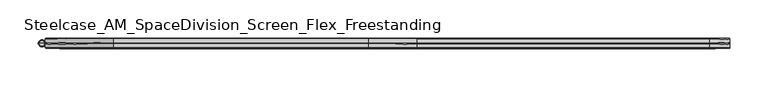
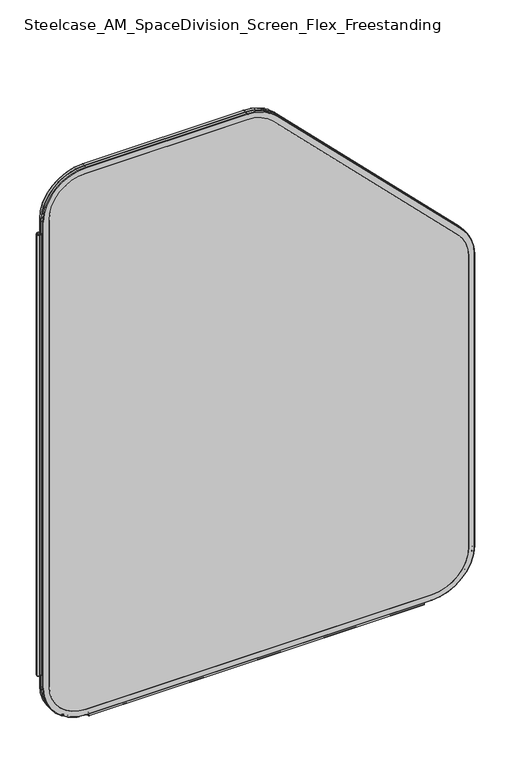
"""IFC4 building model written with IfcOpenShell, lengths in millimetres: furniture geometry, Steelcase_AM_SpaceDivision_Screen_Flex_Freestanding."""

from ifc_helpers import new_model, si_unit, point, frame, frame_2d, origin, place, context, project, spatial, polyline, circle_curve, ellipse_curve, trimmed, segment, composite_curve, outline, extrude, source, transform, mapped, element, save
from ifc_brep_helpers import plane_surface, cylinder_surface, revolved_surface, advanced_brep


def steelcase_am_spacedivision_screen_flex_freestanding_3da25159(model_context):
    return source(origin(), model_context, "Body", "SolidModel", [
        advanced_brep(
        [(98.0653521, -5.715, 4.9996464), (98.0653521, -6.477, 5.7616464), (9.9273521, -6.477, 93.8996464), (9.1653521, -5.715, 93.8996464), (98.0653521, -0.8129491, 4.9996464), (9.1653521, -0.8129491, 93.8996464), (98.0653521, 5.715, 4.9996464), (98.0653521, 0.8129491, 4.9996464), (9.1653521, 0.8129491, 93.8996464), (9.1653521, 5.715, 93.8996464), (98.0653521, 6.477, 5.7616464), (9.9273521, 6.477, 93.8996464), (98.0653521, -6.477, 17.6996464), (98.0653521, 6.477, 17.6996464), (21.8653521, 6.477, 93.8996464), (21.8653521, -6.477, 93.8996464), (811.1, -5.715, 4.9996464), (811.1, -6.477, 5.7616464), (811.1, -0.8129491, 4.9996464), (811.1, 5.715, 4.9996464), (811.1, 0.8129491, 4.9996464), (811.1, 6.477, 5.7616464), (811.1, -6.477, 17.6996464), (811.1, 6.477, 17.6996464), (900.0, -5.715, 93.8996464), (899.238, -6.477, 93.8996464), (900.0, -0.8129491, 93.8996464), (900.0, 5.715, 93.8996464), (900.0, 0.8129491, 93.8996464), (899.238, 6.477, 93.8996464), (887.3, -6.477, 93.8996464), (887.3, 6.477, 93.8996464), (900.0, -5.715, 730.3749822), (899.238, -6.477, 730.3749822), (900.0, -0.8129491, 730.3749822), (900.0, 5.715, 730.3749822), (900.0, 0.8129491, 730.3749822), (899.238, 6.477, 730.3749822), (887.3, -6.477, 730.3749822), (887.3, 6.477, 730.3749822), (873.9617928, -5.715, 793.2367751), (873.4229775, -6.477, 792.6979597), (873.9617928, -0.8129491, 793.2367751), (873.9617928, 5.715, 793.2367751), (873.9617928, 0.8129491, 793.2367751), (873.4229775, 6.477, 792.6979597), (864.9815367, -6.477, 784.2565189), (864.9815367, 6.477, 784.2565189), (493.2367751, -5.715, 1173.9617928), (492.6979597, -6.477, 1173.4229775), (493.2367751, -0.8129491, 1173.9617928), (493.2367751, 5.715, 1173.9617928), (493.2367751, 0.8129491, 1173.9617928), (492.6979597, 6.477, 1173.4229775), (484.2565189, -6.477, 1164.9815367), (484.2565189, 6.477, 1164.9815367), (430.3749822, -5.715, 1200.0), (430.3749822, -6.477, 1199.238), (430.3749822, -0.8129491, 1200.0), (430.3749822, 5.715, 1200.0), (430.3749822, 0.8129491, 1200.0), (430.3749822, 6.477, 1199.238), (430.3749822, -6.477, 1187.3), (430.3749822, 6.477, 1187.3), (98.0653521, -5.715, 1200.0), (98.0653521, -6.477, 1199.238), (98.0653521, -0.8129491, 1200.0), (98.0653521, 5.715, 1200.0), (98.0653521, 0.8129491, 1200.0), (98.0653521, 6.477, 1199.238), (98.0653521, -6.477, 1187.3), (98.0653521, 6.477, 1187.3), (9.1653521, -5.715, 1111.1), (9.9273521, -6.477, 1111.1), (9.1653521, -0.8129491, 1111.1), (9.1653521, 5.715, 1111.1), (9.1653521, 0.8129491, 1111.1), (9.9273521, 6.477, 1111.1), (21.8653521, -6.477, 1111.1), (21.8653521, 6.477, 1111.1), (98.0653521, 0.0, 5.5902885), (9.7559942, 0.0, 93.8996464), (811.1, 0.0, 5.5902885), (899.4093579, 0.0, 93.8996464), (899.4093579, 0.0, 730.3749822), (873.5441458, 0.0, 792.819128), (492.819128, 0.0, 1173.5441458), (430.3749822, 0.0, 1199.4093579), (98.0653521, 0.0, 1199.4093579), (9.7559942, 0.0, 1111.1)],
        [
            (0, 1, circle_curve(frame((98.0653521, -5.715, 5.7616464), z_axis=(-1.0, 0.0, 0.0), x_axis=(0.0, 1.0, 0.0)), 0.762)),
            (1, 2, circle_curve(frame((98.0653521, -6.477, 93.8996464), z_axis=(0.0, 1.0, 0.0), x_axis=(-1.0, 0.0, 0.0)), 88.138)),
            (2, 3, circle_curve(frame((9.9273521, -5.715, 93.8996464), z_axis=(0.0, 0.0, -1.0), x_axis=(0.0, 1.0, 0.0)), 0.762)),
            (3, 0, circle_curve(frame((98.0653521, -5.715, 93.8996464), z_axis=(0.0, -1.0, 0.0), x_axis=(-1.0, 0.0, 0.0)), 88.9)),
            (4, 0),
            (3, 5),
            (5, 4, circle_curve(frame((98.0653521, -0.8129491, 93.8996464), z_axis=(0.0, -1.0, 0.0), x_axis=(-1.0, 0.0, 0.0)), 88.9)),
            (6, 7),
            (7, 8, circle_curve(frame((98.0653521, 0.8129491, 93.8996464), z_axis=(0.0, 1.0, 0.0), x_axis=(-1.0, 0.0, 0.0)), 88.9)),
            (8, 9),
            (9, 6, circle_curve(frame((98.0653521, 5.715, 93.8996464), z_axis=(0.0, -1.0, 0.0), x_axis=(-1.0, 0.0, 0.0)), 88.9)),
            (10, 6, circle_curve(frame((98.0653521, 5.715, 5.7616464), z_axis=(-1.0, 0.0, 0.0), x_axis=(0.0, 1.0, 0.0)), 0.762)),
            (9, 11, circle_curve(frame((9.9273521, 5.715, 93.8996464), z_axis=(0.0, 0.0, -1.0), x_axis=(0.0, 1.0, 0.0)), 0.762)),
            (11, 10, circle_curve(frame((98.0653521, 6.477, 93.8996464), z_axis=(0.0, -1.0, 0.0), x_axis=(-1.0, 0.0, 0.0)), 88.138)),
            (12, 13),
            (13, 14, circle_curve(frame((98.0653521, 6.477, 93.8996464), z_axis=(0.0, 1.0, 0.0), x_axis=(-1.0, 0.0, 0.0)), 76.2)),
            (14, 15),
            (15, 12, circle_curve(frame((98.0653521, -6.477, 93.8996464), z_axis=(0.0, -1.0, 0.0), x_axis=(-1.0, 0.0, 0.0)), 76.2)),
            (0, 16),
            (16, 17, circle_curve(frame((811.1, -5.715, 5.7616464), z_axis=(-1.0, 0.0, 0.0), x_axis=(0.0, 1.0, 0.0)), 0.762)),
            (17, 1),
            (4, 18),
            (18, 16),
            (6, 19),
            (19, 20),
            (20, 7),
            (10, 21),
            (21, 19, circle_curve(frame((811.1, 5.715, 5.7616464), z_axis=(-1.0, 0.0, 0.0), x_axis=(0.0, 1.0, 0.0)), 0.762)),
            (12, 22),
            (22, 23),
            (23, 13),
            (24, 25, circle_curve(frame((899.238, -5.715, 93.8996464), z_axis=(0.0, 0.0, -1.0), x_axis=(0.0, 1.0, 0.0)), 0.762)),
            (25, 17, circle_curve(frame((811.1, -6.477, 93.8996464), z_axis=(0.0, 1.0, 0.0), x_axis=(0.0, 0.0, -1.0)), 88.138)),
            (16, 24, circle_curve(frame((811.1, -5.715, 93.8996464), z_axis=(0.0, -1.0, 0.0), x_axis=(0.0, 0.0, -1.0)), 88.9)),
            (26, 24),
            (18, 26, circle_curve(frame((811.1, -0.8129491, 93.8996464), z_axis=(0.0, -1.0, 0.0), x_axis=(0.0, 0.0, -1.0)), 88.9)),
            (27, 28),
            (28, 20, circle_curve(frame((811.1, 0.8129491, 93.8996464), z_axis=(0.0, 1.0, 0.0), x_axis=(0.0, 0.0, -1.0)), 88.9)),
            (19, 27, circle_curve(frame((811.1, 5.715, 93.8996464), z_axis=(0.0, -1.0, 0.0), x_axis=(0.0, 0.0, -1.0)), 88.9)),
            (29, 27, circle_curve(frame((899.238, 5.715, 93.8996464), z_axis=(0.0, 0.0, -1.0), x_axis=(0.0, 1.0, 0.0)), 0.762)),
            (21, 29, circle_curve(frame((811.1, 6.477, 93.8996464), z_axis=(0.0, -1.0, 0.0), x_axis=(0.0, 0.0, -1.0)), 88.138)),
            (30, 31),
            (31, 23, circle_curve(frame((811.1, 6.477, 93.8996464), z_axis=(0.0, 1.0, 0.0), x_axis=(0.0, 0.0, -1.0)), 76.2)),
            (22, 30, circle_curve(frame((811.1, -6.477, 93.8996464), z_axis=(0.0, -1.0, 0.0), x_axis=(0.0, 0.0, -1.0)), 76.2)),
            (24, 32),
            (32, 33, circle_curve(frame((899.238, -5.715, 730.3749822), z_axis=(0.0, 0.0, -1.0), x_axis=(0.0, 1.0, 0.0)), 0.762)),
            (33, 25),
            (26, 34),
            (34, 32),
            (27, 35),
            (35, 36),
            (36, 28),
            (29, 37),
            (37, 35, circle_curve(frame((899.238, 5.715, 730.3749822), z_axis=(0.0, 0.0, -1.0), x_axis=(0.0, 1.0, 0.0)), 0.762)),
            (30, 38),
            (38, 39),
            (39, 31),
            (40, 41, circle_curve(frame((873.4229775, -5.715, 792.6979597), z_axis=(0.7071067811866388, 0.0, -0.7071067811864562), x_axis=(0.0, 1.0, 0.0)), 0.762)),
            (41, 33, circle_curve(frame((811.1, -6.477, 730.3749822), z_axis=(0.0, 1.0, 0.0), x_axis=(1.0, 0.0, 0.0)), 88.138)),
            (32, 40, circle_curve(frame((811.1, -5.715, 730.3749822), z_axis=(0.0, -1.0, 0.0), x_axis=(1.0, 0.0, 0.0)), 88.9)),
            (42, 40),
            (34, 42, circle_curve(frame((811.1, -0.8129491, 730.3749822), z_axis=(0.0, -1.0, 0.0), x_axis=(1.0, 0.0, 0.0)), 88.9)),
            (43, 44),
            (44, 36, circle_curve(frame((811.1, 0.8129491, 730.3749822), z_axis=(0.0, 1.0, 0.0), x_axis=(1.0, 0.0, 0.0)), 88.9)),
            (35, 43, circle_curve(frame((811.1, 5.715, 730.3749822), z_axis=(0.0, -1.0, 0.0), x_axis=(1.0, 0.0, 0.0)), 88.9)),
            (45, 43, circle_curve(frame((873.4229775, 5.715, 792.6979597), z_axis=(0.7071067811866388, 0.0, -0.7071067811864562), x_axis=(0.0, 1.0, 0.0)), 0.762)),
            (37, 45, circle_curve(frame((811.1, 6.477, 730.3749822), z_axis=(0.0, -1.0, 0.0), x_axis=(1.0, 0.0, 0.0)), 88.138)),
            (46, 47),
            (47, 39, circle_curve(frame((811.1, 6.477, 730.3749822), z_axis=(0.0, 1.0, 0.0), x_axis=(1.0, 0.0, 0.0)), 76.2)),
            (38, 46, circle_curve(frame((811.1, -6.477, 730.3749822), z_axis=(0.0, -1.0, 0.0), x_axis=(1.0, 0.0, 0.0)), 76.2)),
            (40, 48),
            (48, 49, circle_curve(frame((492.6979597, -5.715, 1173.4229775), z_axis=(0.7071067811866404, 0.0, -0.7071067811864546), x_axis=(0.0, 1.0, 0.0)), 0.762)),
            (49, 41),
            (42, 50),
            (50, 48),
            (43, 51),
            (51, 52),
            (52, 44),
            (45, 53),
            (53, 51, circle_curve(frame((492.6979597, 5.715, 1173.4229775), z_axis=(0.7071067811866404, 0.0, -0.7071067811864546), x_axis=(0.0, 1.0, 0.0)), 0.762)),
            (46, 54),
            (54, 55),
            (55, 47),
            (56, 57, circle_curve(frame((430.3749822, -5.715, 1199.238), z_axis=(1.0, 0.0, 0.0), x_axis=(0.0, 1.0, 0.0)), 0.762)),
            (57, 49, circle_curve(frame((430.3749822, -6.477, 1111.1), z_axis=(0.0, 1.0, 0.0), x_axis=(0.7071067811865528, 0.0, 0.7071067811865424)), 88.138)),
            (48, 56, circle_curve(frame((430.3749822, -5.715, 1111.1), z_axis=(0.0, -1.0, 0.0), x_axis=(0.7071067811865528, 0.0, 0.7071067811865424)), 88.9)),
            (58, 56),
            (50, 58, circle_curve(frame((430.3749822, -0.8129491, 1111.1), z_axis=(0.0, -1.0, 0.0), x_axis=(0.7071067811865528, 0.0, 0.7071067811865424)), 88.9)),
            (59, 60),
            (60, 52, circle_curve(frame((430.3749822, 0.8129491, 1111.1), z_axis=(0.0, 1.0, 0.0), x_axis=(0.7071067811865528, 0.0, 0.7071067811865424)), 88.9)),
            (51, 59, circle_curve(frame((430.3749822, 5.715, 1111.1), z_axis=(0.0, -1.0, 0.0), x_axis=(0.7071067811865528, 0.0, 0.7071067811865424)), 88.9)),
            (61, 59, circle_curve(frame((430.3749822, 5.715, 1199.238), z_axis=(1.0, 0.0, 0.0), x_axis=(0.0, 1.0, 0.0)), 0.762)),
            (53, 61, circle_curve(frame((430.3749822, 6.477, 1111.1), z_axis=(0.0, -1.0, 0.0), x_axis=(0.7071067811865528, 0.0, 0.7071067811865424)), 88.138)),
            (62, 63),
            (63, 55, circle_curve(frame((430.3749822, 6.477, 1111.1), z_axis=(0.0, 1.0, 0.0), x_axis=(0.7071067811865528, 0.0, 0.7071067811865424)), 76.2)),
            (54, 62, circle_curve(frame((430.3749822, -6.477, 1111.1), z_axis=(0.0, -1.0, 0.0), x_axis=(0.7071067811865528, 0.0, 0.7071067811865424)), 76.2)),
            (56, 64),
            (64, 65, circle_curve(frame((98.0653521, -5.715, 1199.238), z_axis=(1.0, 0.0, 0.0), x_axis=(0.0, 1.0, 0.0)), 0.762)),
            (65, 57),
            (58, 66),
            (66, 64),
            (59, 67),
            (67, 68),
            (68, 60),
            (61, 69),
            (69, 67, circle_curve(frame((98.0653521, 5.715, 1199.238), z_axis=(1.0, 0.0, 0.0), x_axis=(0.0, 1.0, 0.0)), 0.762)),
            (62, 70),
            (70, 71),
            (71, 63),
            (72, 73, circle_curve(frame((9.9273521, -5.715, 1111.1), z_axis=(0.0, 0.0, 1.0), x_axis=(0.0, 1.0, 0.0)), 0.762)),
            (73, 65, circle_curve(frame((98.0653521, -6.477, 1111.1), z_axis=(0.0, 1.0, 0.0), x_axis=(0.0, 0.0, 1.0)), 88.138)),
            (64, 72, circle_curve(frame((98.0653521, -5.715, 1111.1), z_axis=(0.0, -1.0, 0.0), x_axis=(0.0, 0.0, 1.0)), 88.9)),
            (74, 72),
            (66, 74, circle_curve(frame((98.0653521, -0.8129491, 1111.1), z_axis=(0.0, -1.0, 0.0), x_axis=(0.0, 0.0, 1.0)), 88.9)),
            (75, 76),
            (76, 68, circle_curve(frame((98.0653521, 0.8129491, 1111.1), z_axis=(0.0, 1.0, 0.0), x_axis=(0.0, 0.0, 1.0)), 88.9)),
            (67, 75, circle_curve(frame((98.0653521, 5.715, 1111.1), z_axis=(0.0, -1.0, 0.0), x_axis=(0.0, 0.0, 1.0)), 88.9)),
            (77, 75, circle_curve(frame((9.9273521, 5.715, 1111.1), z_axis=(0.0, 0.0, 1.0), x_axis=(0.0, 1.0, 0.0)), 0.762)),
            (69, 77, circle_curve(frame((98.0653521, 6.477, 1111.1), z_axis=(0.0, -1.0, 0.0), x_axis=(0.0, 0.0, 1.0)), 88.138)),
            (78, 79),
            (79, 71, circle_curve(frame((98.0653521, 6.477, 1111.1), z_axis=(0.0, 1.0, 0.0), x_axis=(0.0, 0.0, 1.0)), 76.2)),
            (70, 78, circle_curve(frame((98.0653521, -6.477, 1111.1), z_axis=(0.0, -1.0, 0.0), x_axis=(0.0, 0.0, 1.0)), 76.2)),
            (73, 2),
            (15, 78),
            (72, 3),
            (74, 5),
            (75, 9),
            (8, 76),
            (77, 11),
            (79, 14),
            (80, 4, circle_curve(frame((98.0653521, -0.8129491, 5.8544317), z_axis=(-1.0, 0.0, 0.0), x_axis=(0.0, 1.0, 0.0)), 0.8547853)),
            (5, 81, circle_curve(frame((10.0201374, -0.8129491, 93.8996464), z_axis=(0.0, 0.0, -1.0), x_axis=(0.0, 1.0, 0.0)), 0.8547853)),
            (81, 80, circle_curve(frame((98.0653521, 0.0, 93.8996464), z_axis=(0.0, -1.0, 0.0), x_axis=(-1.0, 0.0, 0.0)), 88.3093579)),
            (7, 80, circle_curve(frame((98.0653521, 0.8129491, 5.8544317), z_axis=(-1.0, 0.0, 0.0), x_axis=(0.0, 1.0, 0.0)), 0.8547853)),
            (81, 8, circle_curve(frame((10.0201374, 0.8129491, 93.8996464), z_axis=(0.0, 0.0, -1.0), x_axis=(0.0, 1.0, 0.0)), 0.8547853)),
            (80, 82),
            (82, 18, circle_curve(frame((811.1, -0.8129491, 5.8544317), z_axis=(-1.0, 0.0, 0.0), x_axis=(0.0, 1.0, 0.0)), 0.8547853)),
            (20, 82, circle_curve(frame((811.1, 0.8129491, 5.8544317), z_axis=(-1.0, 0.0, 0.0), x_axis=(0.0, 1.0, 0.0)), 0.8547853)),
            (83, 26, circle_curve(frame((899.1452147, -0.8129491, 93.8996464), z_axis=(0.0, 0.0, -1.0), x_axis=(0.0, 1.0, 0.0)), 0.8547853)),
            (82, 83, circle_curve(frame((811.1, 0.0, 93.8996464), z_axis=(0.0, -1.0, 0.0), x_axis=(0.0, 0.0, -1.0)), 88.3093579)),
            (28, 83, circle_curve(frame((899.1452147, 0.8129491, 93.8996464), z_axis=(0.0, 0.0, -1.0), x_axis=(0.0, 1.0, 0.0)), 0.8547853)),
            (83, 84),
            (84, 34, circle_curve(frame((899.1452147, -0.8129491, 730.3749822), z_axis=(0.0, 0.0, -1.0), x_axis=(0.0, 1.0, 0.0)), 0.8547853)),
            (36, 84, circle_curve(frame((899.1452147, 0.8129491, 730.3749822), z_axis=(0.0, 0.0, -1.0), x_axis=(0.0, 1.0, 0.0)), 0.8547853)),
            (85, 42, circle_curve(frame((873.3573684, -0.8129491, 792.6323506), z_axis=(0.7071067811866387, 0.0, -0.7071067811864563), x_axis=(0.0, 1.0, 0.0)), 0.8547853)),
            (84, 85, circle_curve(frame((811.1, 0.0, 730.3749822), z_axis=(0.0, -1.0, 0.0), x_axis=(1.0, 0.0, 0.0)), 88.3093579)),
            (44, 85, circle_curve(frame((873.3573684, 0.8129491, 792.6323506), z_axis=(0.7071067811866388, 0.0, -0.7071067811864562), x_axis=(0.0, 1.0, 0.0)), 0.8547853)),
            (85, 86),
            (86, 50, circle_curve(frame((492.6323506, -0.8129491, 1173.3573684), z_axis=(0.7071067811866404, 0.0, -0.7071067811864546), x_axis=(0.0, 1.0, 0.0)), 0.8547853)),
            (52, 86, circle_curve(frame((492.6323506, 0.8129491, 1173.3573684), z_axis=(0.7071067811866404, 0.0, -0.7071067811864546), x_axis=(0.0, 1.0, 0.0)), 0.8547853)),
            (87, 58, circle_curve(frame((430.3749822, -0.8129491, 1199.1452147), z_axis=(1.0, 0.0, 0.0), x_axis=(0.0, 1.0, 0.0)), 0.8547853)),
            (86, 87, circle_curve(frame((430.3749822, 0.0, 1111.1), z_axis=(0.0, -1.0, 0.0), x_axis=(0.7071067811865528, 0.0, 0.7071067811865424)), 88.3093579)),
            (60, 87, circle_curve(frame((430.3749822, 0.8129491, 1199.1452147), z_axis=(1.0, 0.0, 0.0), x_axis=(0.0, 1.0, 0.0)), 0.8547853)),
            (87, 88),
            (88, 66, circle_curve(frame((98.0653521, -0.8129491, 1199.1452147), z_axis=(1.0, 0.0, 0.0), x_axis=(0.0, 1.0, 0.0)), 0.8547853)),
            (68, 88, circle_curve(frame((98.0653521, 0.8129491, 1199.1452147), z_axis=(1.0, 0.0, 0.0), x_axis=(0.0, 1.0, 0.0)), 0.8547853)),
            (89, 74, circle_curve(frame((10.0201374, -0.8129491, 1111.1), z_axis=(0.0, 0.0, 1.0), x_axis=(0.0, 1.0, 0.0)), 0.8547853)),
            (88, 89, circle_curve(frame((98.0653521, 0.0, 1111.1), z_axis=(0.0, -1.0, 0.0), x_axis=(0.0, 0.0, 1.0)), 88.3093579)),
            (76, 89, circle_curve(frame((10.0201374, 0.8129491, 1111.1), z_axis=(0.0, 0.0, 1.0), x_axis=(0.0, 1.0, 0.0)), 0.8547853)),
            (89, 81),
        ],
        [
            revolved_surface(trimmed(ellipse_curve(frame((9.9273521, -5.715, 93.8996464), z_axis=(0.0, 0.0, -1.0), x_axis=(0.0, 1.0, 0.0)), 0.762, 0.762), [point((9.9273521, -6.477, 93.8996464))], [point((9.1653521, -5.715, 93.8996464))], True, "CARTESIAN"), (98.0653521, 0.0, 93.8996464), (0.0, 1.0, 0.0)),
            cylinder_surface(frame((98.0653521, 0.0, 93.8996464), z_axis=(0.0, 1.0, 0.0), x_axis=(-1.0, 0.0, 0.0)), 88.9),
            revolved_surface(trimmed(ellipse_curve(frame((9.9273521, 5.715, 93.8996464), z_axis=(0.0, 0.0, -1.0), x_axis=(0.0, 1.0, 0.0)), 0.762, 0.762), [point((9.1653521, 5.715, 93.8996464))], [point((9.9273521, 6.477, 93.8996464))], True, "CARTESIAN"), (98.0653521, 0.0, 93.8996464), (0.0, 1.0, 0.0)),
            revolved_surface(polyline([(21.865352099999996, 6.477, 93.8996464), (21.865352099999996, -6.477, 93.8996464)]), (98.0653521, 0.0, 93.8996464), (0.0, 1.0, 0.0)),
            cylinder_surface(frame((98.0653521, -5.715, 5.7616464), z_axis=(-1.0, 0.0, 0.0), x_axis=(0.0, 1.0, 0.0)), 0.762),
            plane_surface(frame((98.0653521, -5.715, 4.9996464), z_axis=(0.0, 0.0, -1.0), x_axis=(1.0, 0.0, 0.0))),
            plane_surface(frame((98.0653521, 0.8129491, 4.9996464), z_axis=(0.0, 0.0, -1.0), x_axis=(1.0, 0.0, 0.0))),
            cylinder_surface(frame((98.0653521, 5.715, 5.7616464), z_axis=(-1.0, 0.0, 0.0), x_axis=(0.0, 1.0, 0.0)), 0.762),
            plane_surface(frame((98.0653521, 6.477, 17.6996464), z_axis=(0.0, 0.0, 1.0), x_axis=(1.0, 0.0, 0.0))),
            revolved_surface(trimmed(ellipse_curve(frame((811.1, -5.715, 5.7616464), z_axis=(1.0, 0.0, 0.0), x_axis=(0.0, 1.0, 0.0)), 0.762, 0.762), [point((811.1, -6.477, 5.7616464))], [point((811.1, -5.715, 4.9996464))], True, "CARTESIAN"), (811.1, 0.0, 93.8996464), (0.0, 1.0, 0.0)),
            cylinder_surface(frame((811.1, 0.0, 93.8996464), z_axis=(0.0, 1.0, 0.0), x_axis=(0.0, 0.0, -1.0)), 88.9),
            revolved_surface(trimmed(ellipse_curve(frame((811.1, 5.715, 5.7616464), z_axis=(1.0, 0.0, 0.0), x_axis=(0.0, 1.0, 0.0)), 0.762, 0.762), [point((811.1, 5.715, 4.9996464))], [point((811.1, 6.477, 5.7616464))], True, "CARTESIAN"), (811.1, 0.0, 93.8996464), (0.0, 1.0, 0.0)),
            revolved_surface(polyline([(811.1, 6.477, 17.699646399999992), (811.1, -6.477, 17.699646399999992)]), (811.1, 0.0, 93.8996464), (0.0, 1.0, 0.0)),
            cylinder_surface(frame((899.238, -5.715, 93.8996464), z_axis=(0.0, 0.0, -1.0), x_axis=(0.0, 1.0, 0.0)), 0.762),
            plane_surface(frame((900.0, -5.715, 93.8996464), z_axis=(1.0, 0.0, 0.0), x_axis=(0.0, 0.0, 1.0))),
            plane_surface(frame((900.0, 0.8129491, 93.8996464), z_axis=(1.0, 0.0, 0.0), x_axis=(0.0, 0.0, 1.0))),
            cylinder_surface(frame((899.238, 5.715, 93.8996464), z_axis=(0.0, 0.0, -1.0), x_axis=(0.0, 1.0, 0.0)), 0.762),
            plane_surface(frame((887.3, 6.477, 93.8996464), z_axis=(-1.0, 0.0, 0.0), x_axis=(0.0, 0.0, 1.0))),
            revolved_surface(trimmed(ellipse_curve(frame((899.238, -5.715, 730.3749822), z_axis=(0.0, 0.0, 1.0), x_axis=(0.0, 1.0, 0.0)), 0.762, 0.762), [point((899.238, -6.477, 730.3749822))], [point((900.0, -5.715, 730.3749822))], True, "CARTESIAN"), (811.1, 0.0, 730.3749822), (0.0, 1.0, 0.0)),
            cylinder_surface(frame((811.1, 0.0, 730.3749822), z_axis=(0.0, 1.0, 0.0), x_axis=(1.0, 0.0, 0.0)), 88.9),
            revolved_surface(trimmed(ellipse_curve(frame((899.238, 5.715, 730.3749822), z_axis=(0.0, 0.0, 1.0), x_axis=(0.0, 1.0, 0.0)), 0.762, 0.762), [point((900.0, 5.715, 730.3749822))], [point((899.238, 6.477, 730.3749822))], True, "CARTESIAN"), (811.1, 0.0, 730.3749822), (0.0, 1.0, 0.0)),
            revolved_surface(polyline([(887.3000000000001, 6.477, 730.3749822), (887.3000000000001, -6.477, 730.3749822)]), (811.1, 0.0, 730.3749822), (0.0, 1.0, 0.0)),
            cylinder_surface(frame((873.4229775, -5.715, 792.6979597), z_axis=(0.7071067811866404, 0.0, -0.7071067811864546), x_axis=(0.0, 1.0, 0.0)), 0.762),
            plane_surface(frame((873.9617928, -5.715, 793.2367751), z_axis=(0.7071067811864545, 0.0, 0.7071067811866405), x_axis=(-0.7071067811866405, 0.0, 0.7071067811864545))),
            plane_surface(frame((873.9617928, 0.8129491, 793.2367751), z_axis=(0.7071067811864545, 0.0, 0.7071067811866405), x_axis=(-0.7071067811866405, 0.0, 0.7071067811864545))),
            cylinder_surface(frame((873.4229775, 5.715, 792.6979597), z_axis=(0.7071067811866404, 0.0, -0.7071067811864546), x_axis=(0.0, 1.0, 0.0)), 0.762),
            plane_surface(frame((864.9815367, 6.477, 784.2565189), z_axis=(-0.7071067811864546, 0.0, -0.7071067811866404), x_axis=(-0.7071067811866404, 0.0, 0.7071067811864546))),
            revolved_surface(trimmed(ellipse_curve(frame((492.6979597, -5.715, 1173.4229775), z_axis=(-0.7071067811865424, 0.0, 0.7071067811865528), x_axis=(0.0, 1.0, 0.0)), 0.762, 0.762), [point((492.6979597, -6.477, 1173.4229775))], [point((493.2367751, -5.715, 1173.9617928))], True, "CARTESIAN"), (430.3749822, 0.0, 1111.1), (0.0, 1.0, 0.0)),
            cylinder_surface(frame((430.3749822, 0.0, 1111.1), z_axis=(0.0, 1.0, 0.0), x_axis=(0.7071067811865528, 0.0, 0.7071067811865424)), 88.9),
            revolved_surface(trimmed(ellipse_curve(frame((492.6979597, 5.715, 1173.4229775), z_axis=(-0.7071067811865424, 0.0, 0.7071067811865528), x_axis=(0.0, 1.0, 0.0)), 0.762, 0.762), [point((493.2367751, 5.715, 1173.9617928))], [point((492.6979597, 6.477, 1173.4229775))], True, "CARTESIAN"), (430.3749822, 0.0, 1111.1), (0.0, 1.0, 0.0)),
            revolved_surface(polyline([(484.2565189264153, 6.477, 1164.9815367264143), (484.2565189264153, -6.477, 1164.9815367264143)]), (430.3749822, 0.0, 1111.1), (0.0, 1.0, 0.0)),
            cylinder_surface(frame((430.3749822, -5.715, 1199.238), z_axis=(1.0, 0.0, 0.0), x_axis=(0.0, 1.0, 0.0)), 0.762),
            plane_surface(frame((430.3749822, -5.715, 1200.0), z_axis=(0.0, 0.0, 1.0), x_axis=(-1.0, 0.0, 0.0))),
            plane_surface(frame((430.3749822, 0.8129491, 1200.0), z_axis=(0.0, 0.0, 1.0), x_axis=(-1.0, 0.0, 0.0))),
            cylinder_surface(frame((430.3749822, 5.715, 1199.238), z_axis=(1.0, 0.0, 0.0), x_axis=(0.0, 1.0, 0.0)), 0.762),
            plane_surface(frame((430.3749822, 6.477, 1187.3), z_axis=(0.0, 0.0, -1.0), x_axis=(-1.0, 0.0, 0.0))),
            revolved_surface(trimmed(ellipse_curve(frame((98.0653521, -5.715, 1199.238), z_axis=(-1.0, 0.0, 0.0), x_axis=(0.0, 1.0, 0.0)), 0.762, 0.762), [point((98.0653521, -6.477, 1199.238))], [point((98.0653521, -5.715, 1200.0))], True, "CARTESIAN"), (98.0653521, 0.0, 1111.1), (0.0, 1.0, 0.0)),
            cylinder_surface(frame((98.0653521, 0.0, 1111.1), z_axis=(0.0, 1.0, 0.0), x_axis=(0.0, 0.0, 1.0)), 88.9),
            revolved_surface(trimmed(ellipse_curve(frame((98.0653521, 5.715, 1199.238), z_axis=(-1.0, 0.0, 0.0), x_axis=(0.0, 1.0, 0.0)), 0.762, 0.762), [point((98.0653521, 5.715, 1200.0))], [point((98.0653521, 6.477, 1199.238))], True, "CARTESIAN"), (98.0653521, 0.0, 1111.1), (0.0, 1.0, 0.0)),
            revolved_surface(polyline([(98.0653521, 6.477, 1187.3), (98.0653521, -6.477, 1187.3)]), (98.0653521, 0.0, 1111.1), (0.0, 1.0, 0.0)),
            plane_surface(frame((21.8653521, -6.477, 1111.1), z_axis=(0.0, -1.0, 0.0), x_axis=(0.0, 0.0, -1.0))),
            cylinder_surface(frame((9.9273521, -5.715, 1111.1), z_axis=(0.0, 0.0, 1.0), x_axis=(0.0, 1.0, 0.0)), 0.762),
            plane_surface(frame((9.1653521, -5.715, 1111.1), z_axis=(-1.0, 0.0, 0.0), x_axis=(0.0, 0.0, -1.0))),
            plane_surface(frame((9.1653521, 0.8129491, 1111.1), z_axis=(-1.0, 0.0, 0.0), x_axis=(0.0, 0.0, -1.0))),
            cylinder_surface(frame((9.9273521, 5.715, 1111.1), z_axis=(0.0, 0.0, 1.0), x_axis=(0.0, 1.0, 0.0)), 0.762),
            plane_surface(frame((9.9273521, 6.477, 1111.1), z_axis=(0.0, 1.0, 0.0), x_axis=(0.0, 0.0, -1.0))),
            plane_surface(frame((21.8653521, 6.477, 1111.1), z_axis=(1.0, 0.0, 0.0), x_axis=(0.0, 0.0, -1.0))),
            revolved_surface(trimmed(ellipse_curve(frame((10.0201374, -0.8129491, 93.8996464), z_axis=(0.0, 0.0, -1.0), x_axis=(0.0, 1.0, 0.0)), 0.8547853, 0.8547853), [point((9.1653521, -0.8129491, 93.8996464))], [point((9.7559942, 0.0, 93.8996464))], True, "CARTESIAN"), (98.0653521, 0.0, 93.8996464), (0.0, 1.0, 0.0)),
            revolved_surface(trimmed(ellipse_curve(frame((10.0201374, 0.8129491, 93.8996464), z_axis=(0.0, 0.0, -1.0), x_axis=(0.0, 1.0, 0.0)), 0.8547853, 0.8547853), [point((9.7559942, 0.0, 93.8996464))], [point((9.1653521, 0.8129491, 93.8996464))], True, "CARTESIAN"), (98.0653521, 0.0, 93.8996464), (0.0, 1.0, 0.0)),
            cylinder_surface(frame((98.0653521, -0.8129491, 5.8544317), z_axis=(-1.0, 0.0, 0.0), x_axis=(0.0, 1.0, 0.0)), 0.8547853),
            cylinder_surface(frame((98.0653521, 0.8129491, 5.8544317), z_axis=(-1.0, 0.0, 0.0), x_axis=(0.0, 1.0, 0.0)), 0.8547853),
            revolved_surface(trimmed(ellipse_curve(frame((811.1, -0.8129491, 5.8544317), z_axis=(1.0, 0.0, 0.0), x_axis=(0.0, 1.0, 0.0)), 0.8547853, 0.8547853), [point((811.1, -0.8129491, 4.9996464))], [point((811.1, 0.0, 5.5902885))], True, "CARTESIAN"), (811.1, 0.0, 93.8996464), (0.0, 1.0, 0.0)),
            revolved_surface(trimmed(ellipse_curve(frame((811.1, 0.8129491, 5.8544317), z_axis=(1.0, 0.0, 0.0), x_axis=(0.0, 1.0, 0.0)), 0.8547853, 0.8547853), [point((811.1, 0.0, 5.5902885))], [point((811.1, 0.8129491, 4.9996464))], True, "CARTESIAN"), (811.1, 0.0, 93.8996464), (0.0, 1.0, 0.0)),
            cylinder_surface(frame((899.1452147, -0.8129491, 93.8996464), z_axis=(0.0, 0.0, -1.0), x_axis=(0.0, 1.0, 0.0)), 0.8547853),
            cylinder_surface(frame((899.1452147, 0.8129491, 93.8996464), z_axis=(0.0, 0.0, -1.0), x_axis=(0.0, 1.0, 0.0)), 0.8547853),
            revolved_surface(trimmed(ellipse_curve(frame((899.1452147, -0.8129491, 730.3749822), z_axis=(0.0, 0.0, 1.0), x_axis=(0.0, 1.0, 0.0)), 0.8547853, 0.8547853), [point((900.0, -0.8129491, 730.3749822))], [point((899.4093579, 0.0, 730.3749822))], True, "CARTESIAN"), (811.1, 0.0, 730.3749822), (0.0, 1.0, 0.0)),
            revolved_surface(trimmed(ellipse_curve(frame((899.1452147, 0.8129491, 730.3749822), z_axis=(0.0, 0.0, 1.0), x_axis=(0.0, 1.0, 0.0)), 0.8547853, 0.8547853), [point((899.4093579, 0.0, 730.3749822))], [point((900.0, 0.8129491, 730.3749822))], True, "CARTESIAN"), (811.1, 0.0, 730.3749822), (0.0, 1.0, 0.0)),
            cylinder_surface(frame((873.3573684, -0.8129491, 792.6323506), z_axis=(0.7071067811866404, 0.0, -0.7071067811864546), x_axis=(0.0, 1.0, 0.0)), 0.8547853),
            cylinder_surface(frame((873.3573684, 0.8129491, 792.6323506), z_axis=(0.7071067811866404, 0.0, -0.7071067811864546), x_axis=(0.0, 1.0, 0.0)), 0.8547853),
            revolved_surface(trimmed(ellipse_curve(frame((492.6323506, -0.8129491, 1173.3573684), z_axis=(-0.7071067811865424, 0.0, 0.7071067811865528), x_axis=(0.0, 1.0, 0.0)), 0.8547853, 0.8547853), [point((493.2367751, -0.8129491, 1173.9617928))], [point((492.819128, 0.0, 1173.5441458))], True, "CARTESIAN"), (430.3749822, 0.0, 1111.1), (0.0, 1.0, 0.0)),
            revolved_surface(trimmed(ellipse_curve(frame((492.6323506, 0.8129491, 1173.3573684), z_axis=(-0.7071067811865424, 0.0, 0.7071067811865528), x_axis=(0.0, 1.0, 0.0)), 0.8547853, 0.8547853), [point((492.819128, 0.0, 1173.5441458))], [point((493.2367751, 0.8129491, 1173.9617928))], True, "CARTESIAN"), (430.3749822, 0.0, 1111.1), (0.0, 1.0, 0.0)),
            cylinder_surface(frame((430.3749822, -0.8129491, 1199.1452147), z_axis=(1.0, 0.0, 0.0), x_axis=(0.0, 1.0, 0.0)), 0.8547853),
            cylinder_surface(frame((430.3749822, 0.8129491, 1199.1452147), z_axis=(1.0, 0.0, 0.0), x_axis=(0.0, 1.0, 0.0)), 0.8547853),
            revolved_surface(trimmed(ellipse_curve(frame((98.0653521, -0.8129491, 1199.1452147), z_axis=(-1.0, 0.0, 0.0), x_axis=(0.0, 1.0, 0.0)), 0.8547853, 0.8547853), [point((98.0653521, -0.8129491, 1200.0))], [point((98.0653521, 0.0, 1199.4093579))], True, "CARTESIAN"), (98.0653521, 0.0, 1111.1), (0.0, 1.0, 0.0)),
            revolved_surface(trimmed(ellipse_curve(frame((98.0653521, 0.8129491, 1199.1452147), z_axis=(-1.0, 0.0, 0.0), x_axis=(0.0, 1.0, 0.0)), 0.8547853, 0.8547853), [point((98.0653521, 0.0, 1199.4093579))], [point((98.0653521, 0.8129491, 1200.0))], True, "CARTESIAN"), (98.0653521, 0.0, 1111.1), (0.0, 1.0, 0.0)),
            cylinder_surface(frame((10.0201374, -0.8129491, 1111.1), z_axis=(0.0, 0.0, 1.0), x_axis=(0.0, 1.0, 0.0)), 0.8547853),
            cylinder_surface(frame((10.0201374, 0.8129491, 1111.1), z_axis=(0.0, 0.0, 1.0), x_axis=(0.0, 1.0, 0.0)), 0.8547853),
        ],
        [
            (0, [[1, 2, 3, 4]]),
            (1, [[5, -4, 6, 7]]),
            (1, [[8, 9, 10, 11]]),
            (2, [[12, -11, 13, 14]]),
            (3, [[15, 16, 17, 18]]),
            (4, [[19, 20, 21, -1]]),
            (5, [[22, 23, -19, -5]]),
            (6, [[24, 25, 26, -8]]),
            (7, [[27, 28, -24, -12]]),
            (8, [[29, 30, 31, -15]]),
            (9, [[32, 33, -20, 34]]),
            (10, [[35, -34, -23, 36]]),
            (10, [[37, 38, -25, 39]]),
            (11, [[40, -39, -28, 41]]),
            (12, [[42, 43, -30, 44]]),
            (13, [[45, 46, 47, -32]]),
            (14, [[48, 49, -45, -35]]),
            (15, [[50, 51, 52, -37]]),
            (16, [[53, 54, -50, -40]]),
            (17, [[55, 56, 57, -42]]),
            (18, [[58, 59, -46, 60]]),
            (19, [[61, -60, -49, 62]]),
            (19, [[63, 64, -51, 65]]),
            (20, [[66, -65, -54, 67]]),
            (21, [[68, 69, -56, 70]]),
            (22, [[71, 72, 73, -58]]),
            (23, [[74, 75, -71, -61]]),
            (24, [[76, 77, 78, -63]]),
            (25, [[79, 80, -76, -66]]),
            (26, [[81, 82, 83, -68]]),
            (27, [[84, 85, -72, 86]]),
            (28, [[87, -86, -75, 88]]),
            (28, [[89, 90, -77, 91]]),
            (29, [[92, -91, -80, 93]]),
            (30, [[94, 95, -82, 96]]),
            (31, [[97, 98, 99, -84]]),
            (32, [[100, 101, -97, -87]]),
            (33, [[102, 103, 104, -89]]),
            (34, [[105, 106, -102, -92]]),
            (35, [[107, 108, 109, -94]]),
            (36, [[110, 111, -98, 112]]),
            (37, [[113, -112, -101, 114]]),
            (37, [[115, 116, -103, 117]]),
            (38, [[118, -117, -106, 119]]),
            (39, [[120, 121, -108, 122]]),
            (40, [[-2, -21, -33, -47, -59, -73, -85, -99, -111, 123], [-96, -81, -70, -55, -44, -29, -18, 124, -122, -107]]),
            (41, [[125, -3, -123, -110]]),
            (42, [[126, -6, -125, -113]]),
            (43, [[127, -10, 128, -115]]),
            (44, [[129, -13, -127, -118]]),
            (45, [[-93, -79, -67, -53, -41, -27, -14, -129, -119, -105], [-16, -31, -43, -57, -69, -83, -95, -109, -121, 130]]),
            (46, [[-124, -17, -130, -120]]),
            (47, [[131, -7, 132, 133]]),
            (48, [[134, -133, 135, -9]]),
            (49, [[136, 137, -22, -131]]),
            (50, [[-26, 138, -136, -134]]),
            (51, [[139, -36, -137, 140]]),
            (52, [[141, -140, -138, -38]]),
            (53, [[142, 143, -48, -139]]),
            (54, [[-52, 144, -142, -141]]),
            (55, [[145, -62, -143, 146]]),
            (56, [[147, -146, -144, -64]]),
            (57, [[148, 149, -74, -145]]),
            (58, [[-78, 150, -148, -147]]),
            (59, [[151, -88, -149, 152]]),
            (60, [[153, -152, -150, -90]]),
            (61, [[154, 155, -100, -151]]),
            (62, [[-104, 156, -154, -153]]),
            (63, [[157, -114, -155, 158]]),
            (64, [[159, -158, -156, -116]]),
            (65, [[160, -132, -126, -157]]),
            (66, [[-128, -135, -160, -159]]),
        ],
    ),
        advanced_brep(
        [(7.9329041, 0.0, 120.65), (9.1653521, 0.0, 121.882448), (0.0, 0.0, 121.882448), (1.232448, 0.0, 120.65), (4.582676, 0.0, 120.65), (7.8953521, 0.0, 1084.43), (4.582676, 0.0, 1084.43), (1.27, 0.0, 1084.43), (9.1653521, 0.0, 1083.16), (0.0, 0.0, 1083.16)],
        [
            (0, 1, circle_curve(frame((7.9329041, 0.0, 121.882448), z_axis=(0.0, -1.0, 0.0), x_axis=(-1.0, 0.0, 0.0)), 1.232448)),
            (1, 2, circle_curve(frame((4.582676, 0.0, 121.882448), z_axis=(0.0, 0.0, -1.0), x_axis=(-1.0, 0.0, 0.0)), 4.582676)),
            (2, 3, circle_curve(frame((1.232448, 0.0, 121.882448), z_axis=(0.0, -1.0, 0.0), x_axis=(1.0, 0.0, 0.0)), 1.232448)),
            (3, 0, circle_curve(frame((4.582676, 0.0, 120.65), z_axis=(0.0, 0.0, 1.0), x_axis=(-1.0, 0.0, 0.0)), 3.3502281)),
            (2, 1, circle_curve(frame((4.582676, 0.0, 121.882448), z_axis=(0.0, 0.0, -1.0), x_axis=(-1.0, 0.0, 0.0)), 4.582676)),
            (0, 3, circle_curve(frame((4.582676, 0.0, 120.65), z_axis=(0.0, 0.0, 1.0), x_axis=(-1.0, 0.0, 0.0)), 3.3502281)),
            (4, 0),
            (3, 4),
            (5, 6),
            (6, 7),
            (7, 5, circle_curve(frame((4.582676, 0.0, 1084.43), z_axis=(0.0, 0.0, 1.0), x_axis=(-1.0, 0.0, 0.0)), 3.312676)),
            (5, 7, circle_curve(frame((4.582676, 0.0, 1084.43), z_axis=(0.0, 0.0, 1.0), x_axis=(-1.0, 0.0, 0.0)), 3.312676)),
            (8, 5, circle_curve(frame((7.8953521, 0.0, 1083.16), z_axis=(0.0, -1.0, 0.0), x_axis=(-1.0, 0.0, 0.0)), 1.27)),
            (7, 9, circle_curve(frame((1.27, 0.0, 1083.16), z_axis=(0.0, -1.0, 0.0), x_axis=(1.0, 0.0, 0.0)), 1.27)),
            (9, 8, circle_curve(frame((4.582676, 0.0, 1083.16), z_axis=(0.0, 0.0, 1.0), x_axis=(-1.0, 0.0, 0.0)), 4.582676)),
            (8, 9, circle_curve(frame((4.582676, 0.0, 1083.16), z_axis=(0.0, 0.0, 1.0), x_axis=(-1.0, 0.0, 0.0)), 4.582676)),
            (1, 8),
            (9, 2),
        ],
        [
            revolved_surface(trimmed(ellipse_curve(frame((1.232448, 0.0, 121.882448), z_axis=(0.0, -1.0, 0.0), x_axis=(1.0, 0.0, 0.0)), 1.232448, 1.232448), [point((0.0, 0.0, 121.882448))], [point((1.232448, 0.0, 120.65))], True, "CARTESIAN"), (4.582676, 0.0, 110.6453157), (0.0, 0.0, -1.0)),
            plane_surface(frame((4.582676, 0.0, 120.65), z_axis=(0.0, 0.0, -1.0), x_axis=(-1.0, 0.0, 0.0))),
            plane_surface(frame((4.582676, 0.0, 1084.43), z_axis=(0.0, 0.0, 1.0), x_axis=(-1.0, 0.0, 0.0))),
            revolved_surface(trimmed(ellipse_curve(frame((1.27, 0.0, 1083.16), z_axis=(0.0, -1.0, 0.0), x_axis=(1.0, 0.0, 0.0)), 1.27, 1.27), [point((1.27, 0.0, 1084.43))], [point((0.0, 0.0, 1083.16))], True, "CARTESIAN"), (4.582676, 0.0, 110.6453157), (0.0, 0.0, -1.0)),
            cylinder_surface(frame((4.582676, 0.0, 110.6453157), z_axis=(0.0, 0.0, -1.0), x_axis=(-1.0, 0.0, 0.0)), 4.582676),
        ],
        [
            (0, [[1, 2, 3, 4]]),
            (0, [[-3, 5, -1, 6]]),
            (1, [[7, -4, 8]]),
            (1, [[-8, -6, -7]]),
            (2, [[9, 10, 11]]),
            (2, [[-10, -9, 12]]),
            (3, [[13, -11, 14, 15]]),
            (3, [[-14, -12, -13, 16]]),
            (4, [[17, -15, 18, -2]]),
            (4, [[-18, -16, -17, -5]]),
        ],
    ),
        extrude(outline(composite_curve([segment(trimmed(circle_curve(frame_2d((-3.5, 4.4751953)), 0.5), [point((-3.5, 4.9751953))], [point((-3.5, 3.9751953))], False, "CARTESIAN"), True, "CONTINUOUS"), segment(trimmed(circle_curve(frame_2d((-3.5, 2.4751953)), 1.5), [point((-3.5, 3.9751953))], [point((-2.3025096, 1.5718589))], True, "CARTESIAN"), True, "CONTINUOUS"), segment(trimmed(circle_curve(frame_2d((-10.3325937, 7.629417)), 10.0586411), [point((-2.3025096, 1.5718589))], [point((-0.714976, 4.6836248))], True, "CARTESIAN"), True, "CONTINUOUS"), segment(trimmed(circle_curve(frame_2d((0.0, 4.4646339)), 0.7477618), [point((-0.714976, 4.6836248))], [point((0.714976, 4.6836248))], False, "CARTESIAN"), True, "CONTINUOUS"), segment(trimmed(circle_curve(frame_2d((10.3325937, 7.629417)), 10.0586411), [point((0.714976, 4.6836248))], [point((2.3025096, 1.5718589))], True, "CARTESIAN"), True, "CONTINUOUS"), segment(trimmed(circle_curve(frame_2d((3.5, 2.4751953)), 1.5), [point((2.3025096, 1.5718589))], [point((3.5, 3.9751953))], True, "CARTESIAN"), True, "CONTINUOUS"), segment(trimmed(circle_curve(frame_2d((3.5, 4.4751953)), 0.5), [point((3.5, 3.9751953))], [point((3.5, 4.9751953))], False, "CARTESIAN"), True, "CONTINUOUS"), segment(trimmed(circle_curve(frame_2d((3.5, 2.4751953)), 2.5), [point((3.5, 4.9751953))], [point((1.4656663, 1.0220998))], False, "CARTESIAN"), True, "CONTINUOUS"), segment(trimmed(circle_curve(frame_2d((0.0, -0.0248047)), 1.8011626), [point((1.4656663, 1.0220998))], [point((-1.4656663, 1.0220998))], True, "CARTESIAN"), True, "CONTINUOUS"), segment(trimmed(circle_curve(frame_2d((-3.5, 2.4751953)), 2.5), [point((-1.4656663, 1.0220998))], [point((-3.5, 4.9751953))], False, "CARTESIAN"), True, "CONTINUOUS")], self_intersect=False)), frame((104.1640108, 0.0, 0.0), z_axis=(1.0, 0.0, 0.0), x_axis=(0.0, 1.0, 0.0)), (0.0, 0.0, 1.0), 691.6719784),
        extrude(outline(composite_curve([segment(trimmed(circle_curve(frame_2d((1111.1, 430.3749822)), 76.2), [point((1164.9815367, 484.2565189))], [point((1187.3, 430.3749822))], False, "CARTESIAN"), True, "CONTINUOUS"), segment(polyline([(1187.3, 430.3749822), (1187.3, 98.0653521)]), True, "CONTINUOUS"), segment(trimmed(circle_curve(frame_2d((1111.1, 98.0653521)), 76.2), [point((1187.3, 98.0653521))], [point((1111.1, 21.8653521))], False, "CARTESIAN"), True, "CONTINUOUS"), segment(polyline([(1111.1, 21.8653521), (93.8996464, 21.8653521)]), True, "CONTINUOUS"), segment(trimmed(circle_curve(frame_2d((93.8996464, 98.0653521)), 76.2), [point((93.8996464, 21.8653521))], [point((17.6996464, 98.0653521))], False, "CARTESIAN"), True, "CONTINUOUS"), segment(polyline([(17.6996464, 98.0653521), (17.6996464, 811.1)]), True, "CONTINUOUS"), segment(trimmed(circle_curve(frame_2d((93.8996464, 811.1)), 76.2), [point((17.6996464, 811.1))], [point((93.8996464, 887.3))], False, "CARTESIAN"), True, "CONTINUOUS"), segment(polyline([(93.8996464, 887.3), (730.3749822, 887.3)]), True, "CONTINUOUS"), segment(trimmed(circle_curve(frame_2d((730.3749822, 811.1)), 76.2), [point((730.3749822, 887.3))], [point((784.2565189, 864.9815367))], False, "CARTESIAN"), True, "CONTINUOUS"), segment(polyline([(784.2565189, 864.9815367), (1164.9815367, 484.2565189)]), True, "CONTINUOUS")], self_intersect=False)), frame((0.0, -6.477, 0.0), z_axis=(0.0, 1.0, 0.0), x_axis=(0.0, 0.0, 1.0)), (0.0, 0.0, 1.0), 12.954),
    ])


if __name__ == "__main__":
    model = new_model("IFC4")
    model_context = context("Model", 3, world=origin())
    ifc_project = project(units=[si_unit("LENGTHUNIT", "METRE", prefix="MILLI")], contexts=[model_context])
    site = spatial("IfcSite", under=ifc_project)
    building = spatial("IfcBuilding", under=site)
    placement = place(None, origin())
    steelcase_am_spacedivision_screen_flex_freestanding_shape = steelcase_am_spacedivision_screen_flex_freestanding_3da25159(model_context)
    element("IfcFurniture", 1, ObjectType="Steelcase_AM_SpaceDivision_Screen_Flex_Freestanding", at=placement, inside=building, context=model_context, shape_type="MappedRepresentation", body=[
        mapped(steelcase_am_spacedivision_screen_flex_freestanding_shape, transform((0.0, 0.0, 0.0), x_axis=(1.0, 0.0, 0.0), y_axis=(0.0, 1.0, 0.0), z_axis=(0.0, 0.0, 1.0))),
    ])
    save(model, "model.ifc")
